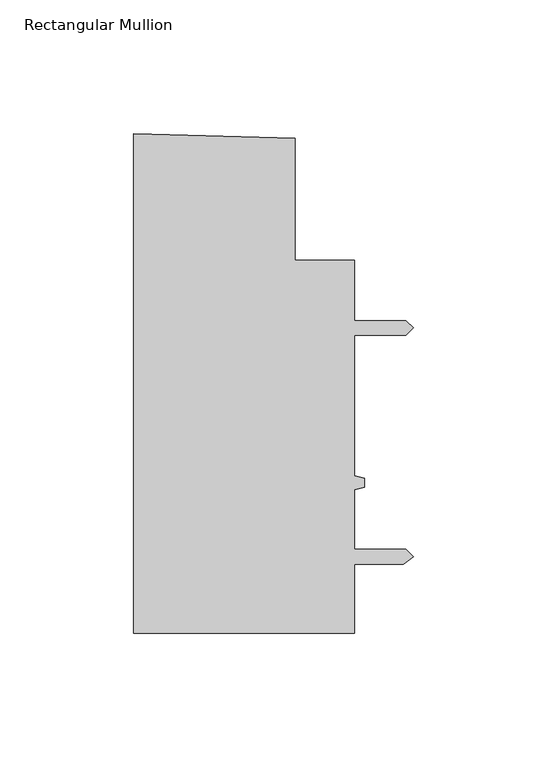
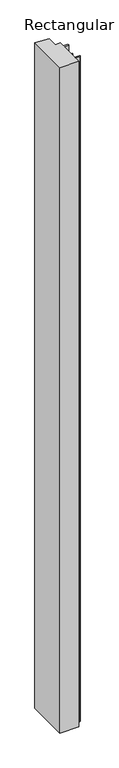
"""IFC4 building model written with IfcOpenShell, lengths in millimetres: member geometry, Rectangular Mullion."""

from ifc_helpers import new_model, si_unit, frame, origin, place, context, project, spatial, polyline, outline, extrude, source, transform, mapped, element, save


def rectangular_mullion_1ae269ef(model_context):
    return source(origin(), model_context, "Body", "SweptSolid", [
        extrude(outline(polyline([(-22.0979492, -99.2718871), (-104.8648241, -99.2718871), (-104.8648241, 87.8005246), (-44.322836, 85.9929034), (-44.322836, 40.3949666), (-22.0979492, 40.3949666), (-22.0979492, 17.7713079), (-2.7432254, 17.7713079), (0.0, 15.0281218), (-2.7432254, 12.2849105), (-22.0979492, 12.2849105), (-22.0979492, -40.4537705), (-18.2879492, -41.3681696), (-18.2879492, -44.6701513), (-22.0979492, -45.5845504), (-22.0979492, -67.9536871), (-2.7431861, -67.9536871), (0.0, -70.6968731), (-3.6402225, -73.4400845), (-22.0979492, -73.4400845), (-22.0979492, -99.2718871)])), frame((0.0, 0.0, -3048.0), z_axis=(0.0, 0.0, 1.0), x_axis=(1.0, 0.0, 0.0)), (0.0, 0.0, 1.0), 3048.0),
    ])


if __name__ == "__main__":
    model = new_model("IFC4")
    model_context = context("Model", 3, world=origin())
    ifc_project = project(units=[si_unit("LENGTHUNIT", "METRE", prefix="MILLI")], contexts=[model_context])
    site = spatial("IfcSite", under=ifc_project)
    building = spatial("IfcBuilding", under=site)
    placement = place(None, origin())
    rectangular_mullion_shape = rectangular_mullion_1ae269ef(model_context)
    element("IfcMember", 1, ObjectType="Rectangular Mullion", at=placement, inside=building, context=model_context, shape_type="MappedRepresentation", body=[
        mapped(rectangular_mullion_shape, transform((0.0, 0.0, 0.0), x_axis=(1.0, 0.0, 0.0), y_axis=(0.0, 1.0, 0.0), z_axis=(0.0, 0.0, 1.0))),
    ])
    save(model, "model.ifc")
